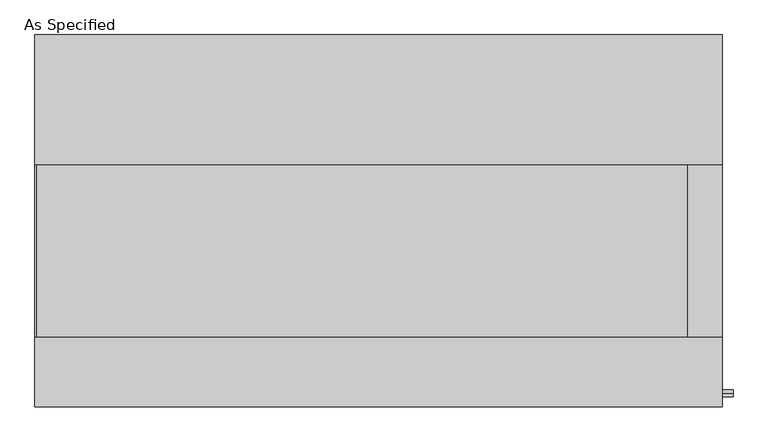
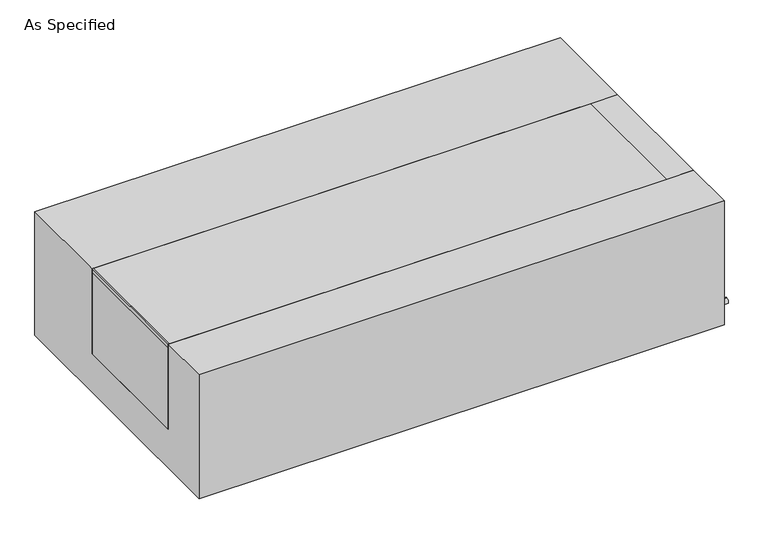
"""IFC4 building model written with IfcOpenShell, lengths in millimetres: proxy geometry, As Specified."""

from ifc_helpers import new_model, si_unit, point, frame, frame_2d, origin, place, context, project, spatial, polyline, circle_curve, trimmed, segment, composite_curve, outline, extrude, source, transform, mapped, element, save


def as_specified_bbf56ea1(model_context):
    return source(origin(), model_context, "Body", "SweptSolid", [
        extrude(outline(composite_curve([segment(trimmed(circle_curve(frame_2d((-509.5875, -466.725)), 10.5), [point((-509.5875, -456.225))], [point((-509.5875, -477.225))], False, "CARTESIAN"), True, "CONTINUOUS"), segment(trimmed(circle_curve(frame_2d((-509.5875, -466.725)), 10.5), [point((-509.5875, -477.225))], [point((-509.5875, -456.225))], False, "CARTESIAN"), True, "CONTINUOUS")], self_intersect=False)), frame((1014.4125, 0.0, 0.0), z_axis=(1.0, 0.0, 0.0), x_axis=(0.0, 1.0, 0.0)), (0.0, 0.0, 1.0), 31.8403384),
        extrude(outline(polyline([(912.01875, -342.9), (912.01875, 165.1), (1014.4125, 165.1), (1014.4125, -342.9), (912.01875, -342.9)])), frame((0.0, 0.0, -373.0625), z_axis=(0.0, 0.0, 1.0), x_axis=(1.0, 0.0, 0.0)), (0.0, 0.0, 1.0), 347.6625),
        extrude(outline(polyline([(-1010.44375, -342.9), (-1014.4125, -342.9), (-1014.4125, 165.1), (-1010.44375, 165.1), (-1010.44375, -342.9)])), frame((0.0, 0.0, -39.6875), z_axis=(0.0, 0.0, 1.0), x_axis=(1.0, 0.0, 0.0)), (0.0, 0.0, 1.0), 14.2875),
        extrude(outline(polyline([(912.01875, 165.1), (912.01875, -342.9), (-1014.4125, -342.9), (-1014.4125, 165.1), (912.01875, 165.1)])), frame((0.0, 0.0, -373.0625), z_axis=(0.0, 0.0, 1.0), x_axis=(1.0, 0.0, 0.0)), (0.0, 0.0, 1.0), 347.6625),
        extrude(outline(polyline([(549.275, -25.4), (549.275, -530.225), (-549.275, -530.225), (-549.275, -25.4), (-342.9, -25.4), (-342.9, -373.0625), (165.1, -373.0625), (165.1, -25.4), (549.275, -25.4)])), frame((-1014.4125, 0.0, 0.0), z_axis=(1.0, 0.0, 0.0), x_axis=(0.0, 1.0, 0.0)), (0.0, 0.0, 1.0), 2028.825),
    ])


if __name__ == "__main__":
    model = new_model("IFC4")
    model_context = context("Model", 3, world=origin())
    ifc_project = project(units=[si_unit("LENGTHUNIT", "METRE", prefix="MILLI")], contexts=[model_context])
    site = spatial("IfcSite", under=ifc_project)
    building = spatial("IfcBuilding", under=site)
    placement = place(None, origin())
    as_specified_shape = as_specified_bbf56ea1(model_context)
    element("IfcBuildingElementProxy", 1, Name="As Specified", ObjectType="As Specified", at=placement, inside=building, context=model_context, shape_type="MappedRepresentation", body=[
        mapped(as_specified_shape, transform((0.0, 0.0, 0.0), x_axis=(1.0, 0.0, 0.0), y_axis=(0.0, 1.0, 0.0), z_axis=(0.0, 0.0, 1.0))),
    ])
    save(model, "model.ifc")
